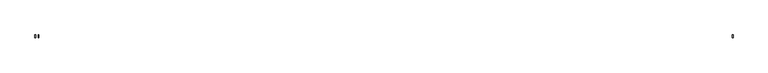
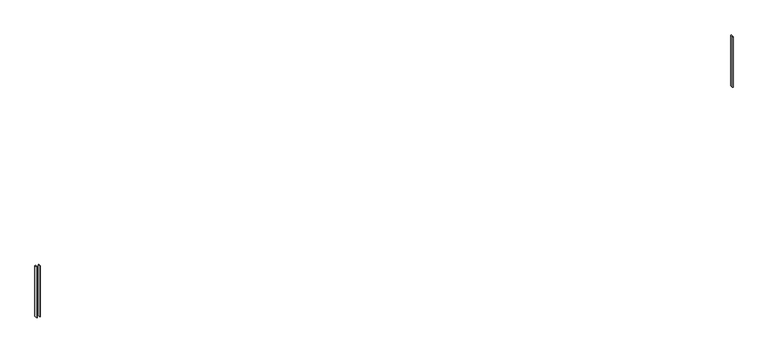
"""IFC4 building model written with IfcOpenShell, lengths in millimetres: railing geometry."""

from ifc_helpers import new_model, si_unit, frame, origin, place, context, project, spatial, polyline, outline, extrude, source, transform, mapped, element, save


def railing_f3113ee9(model_context):
    return source(origin(), model_context, "Body", "SweptSolid", [
        extrude(outline(polyline([(9045.0, 1210.0), (9045.0, 1250.0), (9055.0, 1250.0), (9055.0, 1210.0), (9045.0, 1210.0)])), frame((0.0, 0.0, 1100.0), z_axis=(0.0, 0.0, 1.0), x_axis=(1.0, 0.0, 0.0)), (0.0, 0.0, 1.0), 770.0),
        extrude(outline(polyline([(18990.0, 1210.0), (18990.0, 1250.0), (19000.0, 1250.0), (19000.0, 1210.0), (18990.0, 1210.0)])), frame((0.0, 0.0, 1100.0), z_axis=(0.0, 0.0, 1.0), x_axis=(1.0, 0.0, 0.0)), (0.0, 0.0, 1.0), 770.0),
        extrude(outline(polyline([(9000.0, 1210.0), (9000.0, 1250.0), (9010.0, 1250.0), (9010.0, 1210.0), (9000.0, 1210.0)])), frame((0.0, 0.0, 1100.0), z_axis=(0.0, 0.0, 1.0), x_axis=(1.0, 0.0, 0.0)), (0.0, 0.0, 1.0), 770.0),
    ])


if __name__ == "__main__":
    model = new_model("IFC4")
    model_context = context("Model", 3, world=origin())
    ifc_project = project(units=[si_unit("LENGTHUNIT", "METRE", prefix="MILLI")], contexts=[model_context])
    site = spatial("IfcSite", under=ifc_project)
    building = spatial("IfcBuilding", under=site)
    placement = place(None, origin())
    railing_shape = railing_f3113ee9(model_context)
    element("IfcRailing", 1, at=placement, inside=building, context=model_context, shape_type="MappedRepresentation", body=[
        mapped(railing_shape, transform((0.0, 0.0, 0.0), x_axis=(1.0, 0.0, 0.0), y_axis=(0.0, 1.0, 0.0), z_axis=(0.0, 0.0, 1.0))),
    ])
    save(model, "model.ifc")
